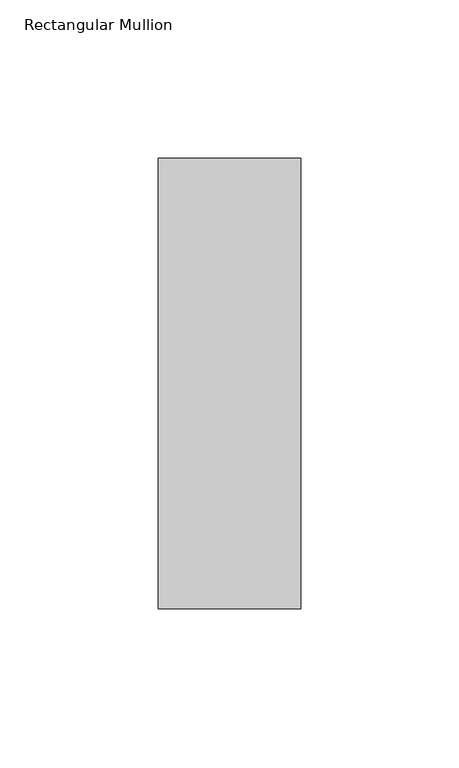
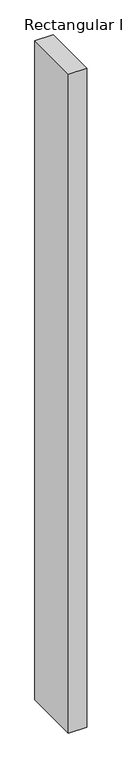
"""IFC4 building model written with IfcOpenShell, lengths in millimetres: member geometry, Rectangular Mullion."""

from ifc_helpers import new_model, si_unit, frame, origin, place, context, project, spatial, polyline, outline, extrude, source, transform, mapped, element, save


def rectangular_mullion_6d8b8ed6(model_context):
    return source(origin(), model_context, "Body", "SweptSolid", [
        extrude(outline(polyline([(22.5, 106.73125), (22.5, -35.73125), (-22.5, -35.73125), (-22.5, 106.73125), (22.5, 106.73125)])), frame((0.0, 0.0, -1708.8912252), z_axis=(0.0, 0.0, 1.0), x_axis=(1.0, 0.0, 0.0)), (0.0, 0.0, 1.0), 1708.8912252),
    ])


if __name__ == "__main__":
    model = new_model("IFC4")
    model_context = context("Model", 3, world=origin())
    ifc_project = project(units=[si_unit("LENGTHUNIT", "METRE", prefix="MILLI")], contexts=[model_context])
    site = spatial("IfcSite", under=ifc_project)
    building = spatial("IfcBuilding", under=site)
    placement = place(None, origin())
    rectangular_mullion_shape = rectangular_mullion_6d8b8ed6(model_context)
    element("IfcMember", 1, ObjectType="Rectangular Mullion", at=placement, inside=building, context=model_context, shape_type="MappedRepresentation", body=[
        mapped(rectangular_mullion_shape, transform((0.0, 0.0, 0.0), x_axis=(1.0, 0.0, 0.0), y_axis=(0.0, 1.0, 0.0), z_axis=(0.0, 0.0, 1.0))),
    ])
    save(model, "model.ifc")
